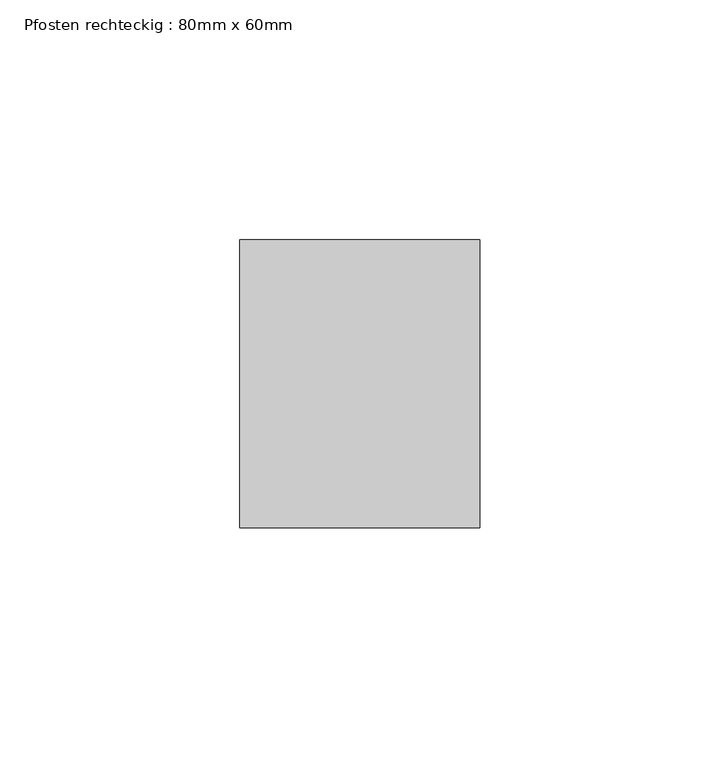
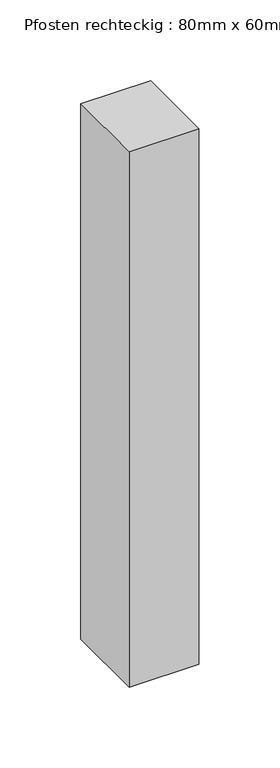
"""IFC4 building model written with IfcOpenShell, lengths in millimetres: member geometry, Pfosten rechteckig : 80mm x 60mm."""

from ifc_helpers import new_model, si_unit, frame, origin, place, context, project, spatial, polyline, outline, extrude, source, transform, mapped, element, save


def pfosten_rechteckig_80mm_x_60mm_bb8dd588(model_context):
    return source(origin(), model_context, "Body", "SweptSolid", [
        extrude(outline(polyline([(0.0, 30.0), (0.0, -30.0), (-50.0, -30.0), (-50.0, 30.0), (0.0, 30.0)])), frame((0.0, 0.0, -405.0), z_axis=(0.0, 0.0, 1.0), x_axis=(1.0, 0.0, 0.0)), (0.0, 0.0, 1.0), 405.0),
    ])


if __name__ == "__main__":
    model = new_model("IFC4")
    model_context = context("Model", 3, world=origin())
    ifc_project = project(units=[si_unit("LENGTHUNIT", "METRE", prefix="MILLI")], contexts=[model_context])
    site = spatial("IfcSite", under=ifc_project)
    building = spatial("IfcBuilding", under=site)
    placement = place(None, origin())
    pfosten_rechteckig_80mm_x_60mm_shape = pfosten_rechteckig_80mm_x_60mm_bb8dd588(model_context)
    element("IfcMember", 1, ObjectType="Pfosten rechteckig : 80mm x 60mm", at=placement, inside=building, context=model_context, shape_type="MappedRepresentation", body=[
        mapped(pfosten_rechteckig_80mm_x_60mm_shape, transform((0.0, 0.0, 0.0), x_axis=(1.0, 0.0, 0.0), y_axis=(0.0, 1.0, 0.0), z_axis=(0.0, 0.0, 1.0))),
    ])
    save(model, "model.ifc")
